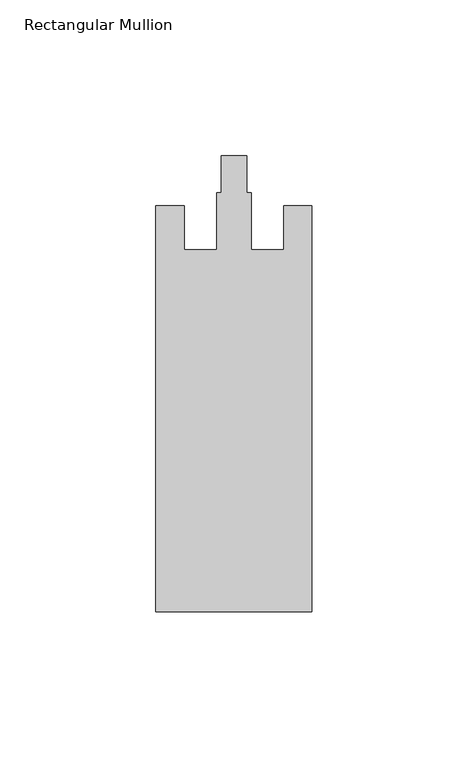
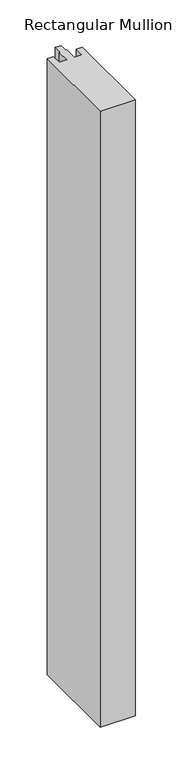
"""IFC4 building model written with IfcOpenShell, lengths in millimetres: member geometry, Rectangular Mullion."""

from ifc_helpers import new_model, si_unit, frame, origin, place, context, project, spatial, polyline, outline, extrude, source, transform, mapped, element, save


def rectangular_mullion_1f167d19(model_context):
    return source(origin(), model_context, "Body", "SweptSolid", [
        extrude(outline(polyline([(0.0, -153.0), (-50.0, -153.0), (-50.0, -23.0), (-41.0, -23.0), (-41.0, -37.0), (-30.5, -37.0), (-30.5, -18.8), (-29.1, -18.8), (-29.1, -7.0), (-20.9, -7.0), (-20.9, -18.8), (-19.5, -18.8), (-19.5, -37.0), (-9.0, -37.0), (-9.0, -23.0), (0.0, -23.0), (0.0, -153.0)])), frame((0.0, 0.0, -925.0), z_axis=(0.0, 0.0, 1.0), x_axis=(1.0, 0.0, 0.0)), (0.0, 0.0, 1.0), 925.0),
    ])


if __name__ == "__main__":
    model = new_model("IFC4")
    model_context = context("Model", 3, world=origin())
    ifc_project = project(units=[si_unit("LENGTHUNIT", "METRE", prefix="MILLI")], contexts=[model_context])
    site = spatial("IfcSite", under=ifc_project)
    building = spatial("IfcBuilding", under=site)
    placement = place(None, origin())
    rectangular_mullion_shape = rectangular_mullion_1f167d19(model_context)
    element("IfcMember", 1, ObjectType="Rectangular Mullion", at=placement, inside=building, context=model_context, shape_type="MappedRepresentation", body=[
        mapped(rectangular_mullion_shape, transform((0.0, 0.0, 0.0), x_axis=(1.0, 0.0, 0.0), y_axis=(0.0, 1.0, 0.0), z_axis=(0.0, 0.0, 1.0))),
    ])
    save(model, "model.ifc")
